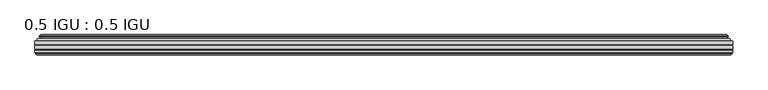
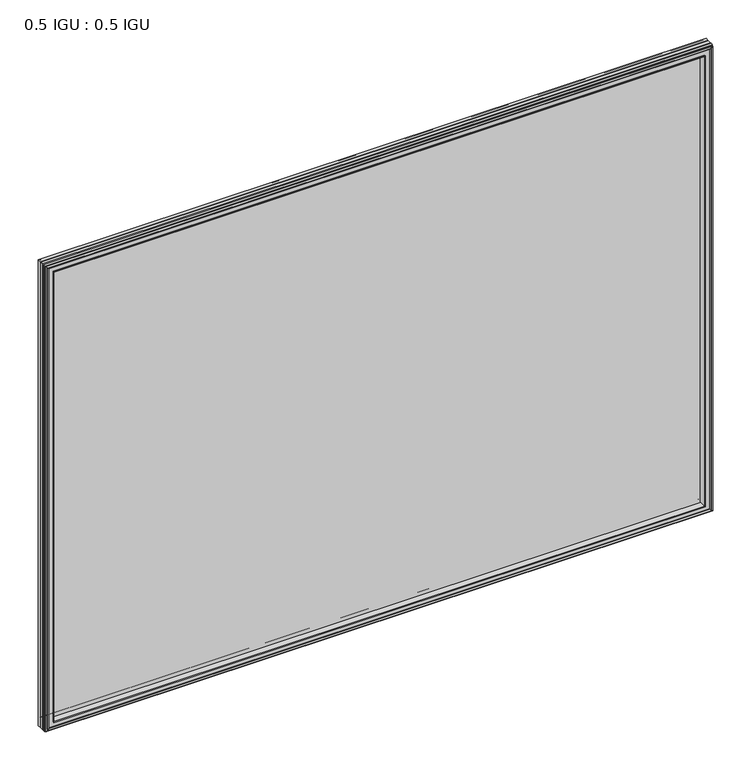
"""IFC4 building model written with IfcOpenShell, lengths in millimetres: plate geometry, 0.5 IGU : 0.5 IGU."""

from ifc_helpers import new_model, si_unit, frame, origin, place, context, project, spatial, polyline, ellipse_curve, outline, extrude, faceted_brep, source, transform, mapped, element, save
from ifc_brep_helpers import plane_surface, cylinder_surface, revolved_surface, advanced_brep


def plate_0_5_igu_0_5_igu_760dccee(model_context):
    return source(origin(), model_context, "Body", "SolidModel", [
        extrude(outline(polyline([(592.151675, -55.82285), (592.151675, -61.48705), (-592.1375, -61.48705), (-592.1375, -55.82285), (592.151675, -55.82285)])), frame((0.0, 0.0, -14.2875), z_axis=(0.0, 0.0, 1.0), x_axis=(1.0, 0.0, 0.0)), (0.0, 0.0, 1.0), 873.1287979),
        extrude(outline(polyline([(-592.1375, -69.05625), (-592.1375, -63.39205), (592.151675, -63.39205), (592.151675, -69.05625), (-592.1375, -69.05625)])), frame((0.0, 0.0, -14.2875), z_axis=(0.0, 0.0, 1.0), x_axis=(1.0, 0.0, 0.0)), (0.0, 0.0, 1.0), 873.1287979),
        advanced_brep(
        [(-588.0349626, -54.3724927, 854.7349626), (-586.9904378, -51.60645, 853.6904378), (-586.9904378, -51.60645, -9.1404378), (-588.0349626, -54.3724927, -10.1849626), (-586.398517, -55.82285, 853.098517), (-586.398517, -55.82285, -8.548517), (-577.85, -45.63745, 844.55), (-574.2672761, -55.82285, 840.9672761), (-574.2672761, -55.82285, 3.5827239), (-577.85, -45.63745, 0.0), (-583.0359109, -46.8185491, 849.7359109), (-583.0359109, -46.8185491, -5.1859109), (-582.2388893, -44.8183085, 848.9388893), (-582.2388893, -44.8183085, -4.3888893), (-584.5226111, -47.135817, 851.2226111), (-584.5226111, -47.135817, -6.6726111), (-584.5226111, -47.8489429, 851.2226111), (-584.5226111, -47.8489429, -6.6726111), (-582.2388893, -50.1664515, 848.9388893), (-582.2388893, -50.1664515, -4.3888893), (-583.0282501, -48.1854367, 849.7282501), (-583.0282501, -48.1854367, -5.1782501), (-580.5044379, -48.027045, 847.2044379), (-580.5044379, -48.027045, -2.6544379), (-579.4786217, -48.7147544, 846.1786217), (-579.4786217, -48.7147544, -1.6286217), (-579.5970288, -50.1092231, 846.2970288), (-579.5970288, -50.1092231, -1.7470288), (-580.1987748, -51.60645, 846.8987748), (-580.1987748, -51.60645, -2.3487748), (586.9904378, -51.60645, -9.1404378), (588.0349626, -54.3724927, -10.1849626), (586.398517, -55.82285, -8.548517), (574.2672761, -55.82285, 3.5827239), (577.85, -45.63745, 0.0), (583.0359109, -46.8185491, -5.1859109), (582.2388893, -44.8183085, -4.3888893), (584.5226111, -47.135817, -6.6726111), (584.5226111, -47.8489429, -6.6726111), (582.2388893, -50.1664515, -4.3888893), (583.0282501, -48.1854367, -5.1782501), (580.5044379, -48.027045, -2.6544379), (579.4786217, -48.7147544, -1.6286217), (579.5970288, -50.1092231, -1.7470288), (580.1987748, -51.60645, -2.3487748), (586.9904378, -51.60645, 853.6904378), (588.0349626, -54.3724927, 854.7349626), (586.398517, -55.82285, 853.098517), (574.2672761, -55.82285, 840.9672761), (577.85, -45.63745, 844.55), (583.0359109, -46.8185491, 849.7359109), (582.2388893, -44.8183085, 848.9388893), (584.5226111, -47.135817, 851.2226111), (584.5226111, -47.8489429, 851.2226111), (582.2388893, -50.1664515, 848.9388893), (583.0282501, -48.1854367, 849.7282501), (580.5044379, -48.027045, 847.2044379), (579.4786217, -48.7147544, 846.1786217), (579.5970288, -50.1092231, 846.2970288), (580.1987748, -51.60645, 846.8987748)],
        [
            (0, 1, ellipse_curve(frame((-586.9820703, -53.1898501, 853.6820703), z_axis=(-0.7071067811865475, 0.0, -0.7071067811865475), x_axis=(-0.7071067811865474, 0.0, 0.7071067811865476)), 2.2392971, 1.5834222)),
            (1, 2),
            (2, 3, ellipse_curve(frame((-586.9820703, -53.1898501, -9.1320703), z_axis=(-0.7071067811865475, 0.0, 0.7071067811865475), x_axis=(0.7071067811865474, 0.0, 0.7071067811865476)), 2.2392971, 1.5834222)),
            (3, 0),
            (4, 0),
            (3, 5),
            (5, 4),
            (6, 7, ellipse_curve(frame((-545.570246, -40.0058297, 812.270246), z_axis=(0.7071067811865475, 0.0, 0.7071067811865475), x_axis=(0.7071067811865474, 0.0, -0.7071067811865476)), 46.3399971, 32.7673262)),
            (7, 8),
            (8, 9, ellipse_curve(frame((-545.570246, -40.0058297, 32.279754), z_axis=(0.7071067811865475, 0.0, -0.7071067811865475), x_axis=(-0.7071067811865474, 0.0, -0.7071067811865476)), 46.3399971, 32.7673262)),
            (9, 6),
            (10, 6),
            (9, 11),
            (11, 10),
            (12, 10),
            (11, 13),
            (13, 12),
            (14, 12),
            (13, 15),
            (15, 14),
            (16, 14, ellipse_curve(frame((-584.1607729, -47.49238, 850.8607729), z_axis=(-0.7071067811865475, 0.0, -0.7071067811865475), x_axis=(-0.7071067811865474, 0.0, 0.7071067811865476)), 0.7184205, 0.508)),
            (15, 17, ellipse_curve(frame((-584.1607729, -47.49238, -6.3107729), z_axis=(-0.7071067811865475, 0.0, 0.7071067811865475), x_axis=(0.7071067811865474, 0.0, 0.7071067811865476)), 0.7184205, 0.508)),
            (17, 16),
            (18, 16),
            (17, 19),
            (19, 18),
            (20, 18),
            (19, 21),
            (21, 20),
            (22, 20),
            (21, 23),
            (23, 22),
            (24, 22, ellipse_curve(frame((-580.4408, -49.04105, 847.1408), z_axis=(0.7071067811865475, 0.0, 0.7071067811865475), x_axis=(0.7071067811865474, 0.0, -0.7071067811865476)), 1.436841, 1.016)),
            (23, 25, ellipse_curve(frame((-580.4408, -49.04105, -2.5908), z_axis=(0.7071067811865475, 0.0, -0.7071067811865475), x_axis=(-0.7071067811865474, 0.0, -0.7071067811865476)), 1.436841, 1.016)),
            (25, 24),
            (26, 24, ellipse_curve(frame((-581.8124, -49.21885, 848.5124), z_axis=(0.7071067811865475, 0.0, 0.7071067811865475), x_axis=(0.7071067811865474, 0.0, -0.7071067811865476)), 3.3765763, 2.3876)),
            (25, 27, ellipse_curve(frame((-581.8124, -49.21885, -3.9624), z_axis=(0.7071067811865475, 0.0, -0.7071067811865475), x_axis=(-0.7071067811865474, 0.0, -0.7071067811865476)), 3.3765763, 2.3876)),
            (27, 26),
            (28, 26),
            (27, 29),
            (29, 28),
            (2, 30),
            (30, 31, ellipse_curve(frame((586.9820703, -53.1898501, -9.1320703), z_axis=(-0.7071067811865475, 0.0, -0.7071067811865475), x_axis=(-0.7071067811865476, 0.0, 0.7071067811865474)), 2.2392971, 1.5834222)),
            (31, 3),
            (31, 32),
            (32, 5),
            (8, 33),
            (33, 34, ellipse_curve(frame((545.570246, -40.0058297, 32.279754), z_axis=(0.7071067811865475, 0.0, 0.7071067811865475), x_axis=(0.7071067811865476, 0.0, -0.7071067811865474)), 46.3399971, 32.7673262)),
            (34, 9),
            (34, 35),
            (35, 11),
            (35, 36),
            (36, 13),
            (36, 37),
            (37, 15),
            (37, 38, ellipse_curve(frame((584.1607729, -47.49238, -6.3107729), z_axis=(-0.7071067811865475, 0.0, -0.7071067811865475), x_axis=(-0.7071067811865476, 0.0, 0.7071067811865474)), 0.7184205, 0.508)),
            (38, 17),
            (38, 39),
            (39, 19),
            (39, 40),
            (40, 21),
            (40, 41),
            (41, 23),
            (41, 42, ellipse_curve(frame((580.4408, -49.04105, -2.5908), z_axis=(0.7071067811865475, 0.0, 0.7071067811865475), x_axis=(0.7071067811865476, 0.0, -0.7071067811865474)), 1.436841, 1.016)),
            (42, 25),
            (42, 43, ellipse_curve(frame((581.8124, -49.21885, -3.9624), z_axis=(0.7071067811865475, 0.0, 0.7071067811865475), x_axis=(0.7071067811865476, 0.0, -0.7071067811865474)), 3.3765763, 2.3876)),
            (43, 27),
            (43, 44),
            (44, 29),
            (30, 45),
            (45, 46, ellipse_curve(frame((586.9820703, -53.1898501, 853.6820703), z_axis=(0.7071067811865475, 0.0, -0.7071067811865475), x_axis=(-0.7071067811865474, 0.0, -0.7071067811865476)), 2.2392971, 1.5834222)),
            (46, 31),
            (46, 47),
            (47, 32),
            (33, 48),
            (48, 49, ellipse_curve(frame((545.570246, -40.0058297, 812.270246), z_axis=(-0.7071067811865475, 0.0, 0.7071067811865475), x_axis=(0.7071067811865474, 0.0, 0.7071067811865476)), 46.3399971, 32.7673262)),
            (49, 34),
            (49, 50),
            (50, 35),
            (50, 51),
            (51, 36),
            (51, 52),
            (52, 37),
            (52, 53, ellipse_curve(frame((584.1607729, -47.49238, 850.8607729), z_axis=(0.7071067811865475, 0.0, -0.7071067811865475), x_axis=(-0.7071067811865474, 0.0, -0.7071067811865476)), 0.7184205, 0.508)),
            (53, 38),
            (53, 54),
            (54, 39),
            (54, 55),
            (55, 40),
            (55, 56),
            (56, 41),
            (56, 57, ellipse_curve(frame((580.4408, -49.04105, 847.1408), z_axis=(-0.7071067811865475, 0.0, 0.7071067811865475), x_axis=(0.7071067811865474, 0.0, 0.7071067811865476)), 1.436841, 1.016)),
            (57, 42),
            (57, 58, ellipse_curve(frame((581.8124, -49.21885, 848.5124), z_axis=(-0.7071067811865475, 0.0, 0.7071067811865475), x_axis=(0.7071067811865474, 0.0, 0.7071067811865476)), 3.3765763, 2.3876)),
            (58, 43),
            (58, 59),
            (59, 44),
            (45, 1),
            (0, 46),
            (4, 47),
            (7, 48),
            (6, 49),
            (10, 50),
            (12, 51),
            (14, 52),
            (16, 53),
            (18, 54),
            (20, 55),
            (22, 56),
            (24, 57),
            (26, 58),
            (28, 59),
        ],
        [
            cylinder_surface(frame((-586.9820703, -53.1898501, 876.3), z_axis=(0.0, 0.0, 1.0), x_axis=(-1.0, 0.0, 0.0)), 1.5834222),
            plane_surface(frame((-588.0349626, -54.3724927, 854.7349626), z_axis=(-0.6632745773184306, -0.7483761320907135, 0.0), x_axis=(0.0, 0.0, -1.0))),
            revolved_surface(polyline([(-578.3375722, -40.0058297, -0.48757218957496207), (-578.3375722, -40.0058297, 845.037572189575)]), (-545.570246, -40.0058297, 876.3), (0.0, 0.0, -1.0)),
            plane_surface(frame((-577.85, -45.63745, 844.55), z_axis=(-0.22206498442787428, 0.975031867525902, 0.0), x_axis=(0.0, 0.0, -1.0))),
            plane_surface(frame((-583.0359109, -46.8185491, 849.7359109), z_axis=(0.928968268563027, -0.37015936568323066, 0.0), x_axis=(0.0, 0.0, -1.0))),
            plane_surface(frame((-582.2388893, -44.8183085, 848.9388893), z_axis=(-0.7122798501733482, 0.7018955869907096, 0.0), x_axis=(0.0, 0.0, -1.0))),
            cylinder_surface(frame((-584.1607729, -47.49238, 876.3), z_axis=(0.0, 0.0, 1.0), x_axis=(-1.0, 0.0, 0.0)), 0.508),
            plane_surface(frame((-584.5226111, -47.8489429, 851.2226111), z_axis=(-0.7122798501732925, -0.701895586990766, 0.0), x_axis=(0.0, 0.0, -1.0))),
            plane_surface(frame((-582.2388893, -50.1664515, 848.9388893), z_axis=(0.9289682685628707, 0.3701593656836228, 0.0), x_axis=(0.0, 0.0, -1.0))),
            plane_surface(frame((-583.0282501, -48.1854367, 849.7282501), z_axis=(0.06263570119284978, -0.9980364567169279, 0.0), x_axis=(0.0, 0.0, -1.0))),
            revolved_surface(polyline([(-581.4567999999999, -49.04105, -3.606800014586838), (-581.4567999999999, -49.04105, 848.1568000145869)]), (-580.4408, -49.04105, 876.3), (0.0, 0.0, -1.0)),
            revolved_surface(polyline([(-584.2, -49.21885, -6.3499999989237494), (-584.2, -49.21885, 850.8999999989237)]), (-581.8124, -49.21885, 876.3), (0.0, 0.0, -1.0)),
            plane_surface(frame((-579.5970288, -50.1092231, 846.2970288), z_axis=(-0.9278652925428184, 0.3729155385532094, 0.0), x_axis=(0.0, 0.0, -1.0))),
            cylinder_surface(frame((-609.6, -53.1898501, -9.1320703), z_axis=(-1.0, 0.0, 0.0), x_axis=(0.0, 0.0, -1.0)), 1.5834222),
            plane_surface(frame((-588.0349626, -54.3724927, -10.1849626), z_axis=(0.0, -0.7483761320907157, -0.6632745773184283), x_axis=(1.0, 0.0, 0.0))),
            revolved_surface(polyline([(578.3375721895751, -40.0058297, -0.48757220000000245), (-578.337572189575, -40.0058297, -0.48757220000000245)]), (-609.6, -40.0058297, 32.279754), (1.0, 0.0, 0.0)),
            plane_surface(frame((-577.85, -45.63745, 0.0), z_axis=(0.0, 0.9750318675259013, -0.22206498442787745), x_axis=(1.0, 0.0, 0.0))),
            plane_surface(frame((-583.0359109, -46.8185491, -5.1859109), z_axis=(0.0, -0.37015936568322766, 0.9289682685630283), x_axis=(1.0, 0.0, 0.0))),
            plane_surface(frame((-582.2388893, -44.8183085, -4.3888893), z_axis=(0.0, 0.7018955869907073, -0.7122798501733504), x_axis=(1.0, 0.0, 0.0))),
            cylinder_surface(frame((-609.6, -47.49238, -6.3107729), z_axis=(-1.0, 0.0, 0.0), x_axis=(0.0, 0.0, -1.0)), 0.508),
            plane_surface(frame((-584.5226111, -47.8489429, -6.6726111), z_axis=(0.0, -0.7018955869907684, -0.7122798501732903), x_axis=(1.0, 0.0, 0.0))),
            plane_surface(frame((-582.2388893, -50.1664515, -4.3888893), z_axis=(0.0, 0.37015936568362584, 0.9289682685628696), x_axis=(1.0, 0.0, 0.0))),
            plane_surface(frame((-583.0282501, -48.1854367, -5.1782501), z_axis=(0.0, -0.9980364567169276, 0.06263570119285301), x_axis=(1.0, 0.0, 0.0))),
            revolved_surface(polyline([(581.4568000145867, -49.04105, -3.6068000000000002), (-581.4568000145869, -49.04105, -3.6068000000000002)]), (-609.6, -49.04105, -2.5908), (1.0, 0.0, 0.0)),
            revolved_surface(polyline([(584.199999998924, -49.21885, -6.35), (-584.1999999989238, -49.21885, -6.35)]), (-609.6, -49.21885, -3.9624), (1.0, 0.0, 0.0)),
            plane_surface(frame((-579.5970288, -50.1092231, -1.7470288), z_axis=(0.0, 0.3729155385532064, -0.9278652925428196), x_axis=(1.0, 0.0, 0.0))),
            cylinder_surface(frame((586.9820703, -53.1898501, -31.75), z_axis=(0.0, 0.0, -1.0), x_axis=(1.0, 0.0, 0.0)), 1.5834222),
            plane_surface(frame((588.0349626, -54.3724927, -10.1849626), z_axis=(0.6632745773184259, -0.7483761320907178, 0.0), x_axis=(0.0, 0.0, 1.0))),
            revolved_surface(polyline([(578.3375722, -40.0058297, 845.037572189575), (578.3375722, -40.0058297, -0.48757218957494075)]), (545.570246, -40.0058297, -31.75), (0.0, 0.0, 1.0)),
            plane_surface(frame((577.85, -45.63745, 0.0), z_axis=(0.22206498442788059, 0.9750318675259005, 0.0), x_axis=(0.0, 0.0, 1.0))),
            plane_surface(frame((583.0359109, -46.8185491, -5.1859109), z_axis=(-0.9289682685630295, -0.37015936568322466, 0.0), x_axis=(0.0, 0.0, 1.0))),
            plane_surface(frame((582.2388893, -44.8183085, -4.3888893), z_axis=(0.7122798501733526, 0.701895586990705, 0.0), x_axis=(0.0, 0.0, 1.0))),
            cylinder_surface(frame((584.1607729, -47.49238, -31.75), z_axis=(0.0, 0.0, -1.0), x_axis=(1.0, 0.0, 0.0)), 0.508),
            plane_surface(frame((584.5226111, -47.8489429, -6.6726111), z_axis=(0.712279850173288, -0.7018955869907706, 0.0), x_axis=(0.0, 0.0, 1.0))),
            plane_surface(frame((582.2388893, -50.1664515, -4.3888893), z_axis=(-0.9289682685628684, 0.37015936568362884, 0.0), x_axis=(0.0, 0.0, 1.0))),
            plane_surface(frame((583.0282501, -48.1854367, -5.1782501), z_axis=(-0.06263570119285625, -0.9980364567169274, 0.0), x_axis=(0.0, 0.0, 1.0))),
            revolved_surface(polyline([(581.4567999999999, -49.04105, 848.1568000145869), (581.4567999999999, -49.04105, -3.606800014586863)]), (580.4408, -49.04105, -31.75), (0.0, 0.0, 1.0)),
            revolved_surface(polyline([(584.2, -49.21885, 850.8999999989237), (584.2, -49.21885, -6.349999998923781)]), (581.8124, -49.21885, -31.75), (0.0, 0.0, 1.0)),
            plane_surface(frame((579.5970288, -50.1092231, -1.7470288), z_axis=(0.9278652925428208, 0.3729155385532034, 0.0), x_axis=(0.0, 0.0, 1.0))),
            cylinder_surface(frame((609.6, -53.1898501, 853.6820703), z_axis=(1.0, 0.0, 0.0), x_axis=(0.0, 0.0, 1.0)), 1.5834222),
            plane_surface(frame((588.0349626, -54.3724927, 854.7349626), z_axis=(0.0, -0.7483761320907157, 0.6632745773184283), x_axis=(-1.0, 0.0, 0.0))),
            plane_surface(frame((586.398517, -55.82285, 853.098517), z_axis=(0.0, -1.0, 0.0), x_axis=(-1.0, 0.0, 0.0))),
            revolved_surface(polyline([(-578.3375721895751, -40.0058297, 845.0375722), (578.337572189575, -40.0058297, 845.0375722)]), (609.6, -40.0058297, 812.270246), (-1.0, 0.0, 0.0)),
            plane_surface(frame((577.85, -45.63745, 844.55), z_axis=(0.0, 0.9750318675259012, 0.22206498442787742), x_axis=(-1.0, 0.0, 0.0))),
            plane_surface(frame((583.0359109, -46.8185491, 849.7359109), z_axis=(0.0, -0.37015936568322766, -0.9289682685630283), x_axis=(-1.0, 0.0, 0.0))),
            plane_surface(frame((582.2388893, -44.8183085, 848.9388893), z_axis=(0.0, 0.7018955869907073, 0.7122798501733504), x_axis=(-1.0, 0.0, 0.0))),
            cylinder_surface(frame((609.6, -47.49238, 850.8607729), z_axis=(1.0, 0.0, 0.0), x_axis=(0.0, 0.0, 1.0)), 0.508),
            plane_surface(frame((584.5226111, -47.8489429, 851.2226111), z_axis=(0.0, -0.7018955869907684, 0.7122798501732903), x_axis=(-1.0, 0.0, 0.0))),
            plane_surface(frame((582.2388893, -50.1664515, 848.9388893), z_axis=(0.0, 0.37015936568362584, -0.9289682685628696), x_axis=(-1.0, 0.0, 0.0))),
            plane_surface(frame((583.0282501, -48.1854367, 849.7282501), z_axis=(0.0, -0.9980364567169276, -0.06263570119285301), x_axis=(-1.0, 0.0, 0.0))),
            revolved_surface(polyline([(-581.4568000145867, -49.04105, 848.1568), (581.4568000145869, -49.04105, 848.1568)]), (609.6, -49.04105, 847.1408), (-1.0, 0.0, 0.0)),
            revolved_surface(polyline([(-584.199999998924, -49.21885, 850.9), (584.1999999989238, -49.21885, 850.9)]), (609.6, -49.21885, 848.5124), (-1.0, 0.0, 0.0)),
            plane_surface(frame((579.5970288, -50.1092231, 846.2970288), z_axis=(0.0, 0.3729155385532064, 0.9278652925428196), x_axis=(-1.0, 0.0, 0.0))),
            plane_surface(frame((580.1987748, -51.60645, 846.8987748), z_axis=(0.0, 1.0, 0.0), x_axis=(-1.0, 0.0, 0.0))),
        ],
        [
            (0, [[1, 2, 3, 4]]),
            (1, [[5, -4, 6, 7]]),
            (2, [[8, 9, 10, 11]]),
            (3, [[12, -11, 13, 14]]),
            (4, [[15, -14, 16, 17]]),
            (5, [[18, -17, 19, 20]]),
            (6, [[21, -20, 22, 23]]),
            (7, [[24, -23, 25, 26]]),
            (8, [[27, -26, 28, 29]]),
            (9, [[30, -29, 31, 32]]),
            (10, [[33, -32, 34, 35]]),
            (11, [[36, -35, 37, 38]]),
            (12, [[39, -38, 40, 41]]),
            (13, [[-3, 42, 43, 44]]),
            (14, [[-6, -44, 45, 46]]),
            (15, [[-10, 47, 48, 49]]),
            (16, [[-13, -49, 50, 51]]),
            (17, [[-16, -51, 52, 53]]),
            (18, [[-19, -53, 54, 55]]),
            (19, [[-22, -55, 56, 57]]),
            (20, [[-25, -57, 58, 59]]),
            (21, [[-28, -59, 60, 61]]),
            (22, [[-31, -61, 62, 63]]),
            (23, [[-34, -63, 64, 65]]),
            (24, [[-37, -65, 66, 67]]),
            (25, [[-40, -67, 68, 69]]),
            (26, [[-43, 70, 71, 72]]),
            (27, [[-45, -72, 73, 74]]),
            (28, [[-48, 75, 76, 77]]),
            (29, [[-50, -77, 78, 79]]),
            (30, [[-52, -79, 80, 81]]),
            (31, [[-54, -81, 82, 83]]),
            (32, [[-56, -83, 84, 85]]),
            (33, [[-58, -85, 86, 87]]),
            (34, [[-60, -87, 88, 89]]),
            (35, [[-62, -89, 90, 91]]),
            (36, [[-64, -91, 92, 93]]),
            (37, [[-66, -93, 94, 95]]),
            (38, [[-68, -95, 96, 97]]),
            (39, [[-71, 98, -1, 99]]),
            (40, [[-73, -99, -5, 100]]),
            (41, [[-46, -74, -100, -7], [101, -75, -47, -9]]),
            (42, [[-76, -101, -8, 102]]),
            (43, [[-78, -102, -12, 103]]),
            (44, [[-80, -103, -15, 104]]),
            (45, [[-82, -104, -18, 105]]),
            (46, [[-84, -105, -21, 106]]),
            (47, [[-86, -106, -24, 107]]),
            (48, [[-88, -107, -27, 108]]),
            (49, [[-90, -108, -30, 109]]),
            (50, [[-92, -109, -33, 110]]),
            (51, [[-94, -110, -36, 111]]),
            (52, [[-96, -111, -39, 112]]),
            (53, [[-98, -70, -42, -2], [-69, -97, -112, -41]]),
        ],
    ),
        faceted_brep([(-573.9957827, -69.05625, 840.6957827), (-576.5620798, -77.94625, 843.2620798), (-576.5620798, -77.94625, 1.2879202), (-573.9957827, -69.05625, 3.8542173), (-592.1502, -71.2633102, 858.8502), (-589.9431398, -69.05625, 856.6431398), (-589.9431398, -69.05625, -12.0931398), (-592.1502, -71.2633102, -14.3002), (-592.1502, -75.40625, 858.8502), (-592.1502, -75.40625, -14.3002), (-589.7311775, -76.58989, 856.4311775), (-590.6008, -75.40625, 857.3008), (-590.6008, -75.40625, -12.7508), (-589.7311775, -76.58989, -11.8811775), (-589.534, -77.8875884, 856.234), (-589.534, -77.8875884, -11.684), (-590.50966, -77.3578917, 857.20966), (-590.50966, -77.3578917, -12.65966), (-588.9752, -79.1749663, 855.6752), (-591.3023305, -77.3578917, 858.0023305), (-591.3023305, -77.3578917, -13.4523305), (-588.9752, -79.1749663, -11.1252), (-586.6480695, -77.3578917, 853.3480695), (-586.6480695, -77.3578917, -8.7980695), (-588.4164, -77.8875884, 855.1164), (-587.44074, -77.3578917, 854.14074), (-587.44074, -77.3578917, -9.59074), (-588.4164, -77.8875884, -10.5664), (-588.2192225, -76.58989, 854.9192225), (-588.2192225, -76.58989, -10.3692225), (-587.3496, -75.40625, 854.0496), (-587.3496, -75.40625, -9.4996), (-578.2013667, -77.94625, 844.9013667), (-577.6722, -75.40625, 844.3722), (-577.6722, -75.40625, 0.1778), (-578.2013667, -77.94625, -0.3513667), (576.5620798, -77.94625, 1.2879202), (573.9957827, -69.05625, 3.8542173), (589.9431398, -69.05625, -12.0931398), (592.1502, -71.2633102, -14.3002), (592.1502, -75.40625, -14.3002), (590.6008, -75.40625, -12.7508), (589.7311775, -76.58989, -11.8811775), (589.534, -77.8875884, -11.684), (590.50966, -77.3578917, -12.65966), (591.3023305, -77.3578917, -13.4523305), (588.9752, -79.1749663, -11.1252), (586.6480695, -77.3578917, -8.7980695), (587.44074, -77.3578917, -9.59074), (588.4164, -77.8875884, -10.5664), (588.2192225, -76.58989, -10.3692225), (587.3496, -75.40625, -9.4996), (577.6722, -75.40625, 0.1778), (578.2013667, -77.94625, -0.3513667), (576.5620798, -77.94625, 843.2620798), (573.9957827, -69.05625, 840.6957827), (589.9431398, -69.05625, 856.6431398), (592.1502, -71.2633102, 858.8502), (592.1502, -75.40625, 858.8502), (590.6008, -75.40625, 857.3008), (589.7311775, -76.58989, 856.4311775), (589.534, -77.8875884, 856.234), (590.50966, -77.3578917, 857.20966), (591.3023305, -77.3578917, 858.0023305), (588.9752, -79.1749663, 855.6752), (586.6480695, -77.3578917, 853.3480695), (587.44074, -77.3578917, 854.14074), (588.4164, -77.8875884, 855.1164), (588.2192225, -76.58989, 854.9192225), (587.3496, -75.40625, 854.0496), (577.6722, -75.40625, 844.3722), (578.2013667, -77.94625, 844.9013667)], [[[0, 1, 2, 3]], [[4, 5, 6, 7]], [[8, 4, 7, 9]], [[10, 11, 12, 13]], [[14, 10, 13, 15]], [[16, 14, 15, 17]], [[18, 19, 20, 21]], [[22, 18, 21, 23]], [[24, 25, 26, 27]], [[28, 24, 27, 29]], [[30, 28, 29, 31]], [[32, 33, 34, 35]], [[3, 2, 36, 37]], [[7, 6, 38, 39]], [[9, 7, 39, 40]], [[13, 12, 41, 42]], [[15, 13, 42, 43]], [[17, 15, 43, 44]], [[21, 20, 45, 46]], [[23, 21, 46, 47]], [[27, 26, 48, 49]], [[29, 27, 49, 50]], [[31, 29, 50, 51]], [[35, 34, 52, 53]], [[37, 36, 54, 55]], [[39, 38, 56, 57]], [[40, 39, 57, 58]], [[42, 41, 59, 60]], [[43, 42, 60, 61]], [[44, 43, 61, 62]], [[46, 45, 63, 64]], [[47, 46, 64, 65]], [[49, 48, 66, 67]], [[50, 49, 67, 68]], [[51, 50, 68, 69]], [[53, 52, 70, 71]], [[55, 54, 1, 0]], [[5, 56, 38, 6], [3, 37, 55, 0]], [[57, 56, 5, 4]], [[58, 57, 4, 8]], [[9, 40, 58, 8], [11, 59, 41, 12]], [[60, 59, 11, 10]], [[61, 60, 10, 14]], [[62, 61, 14, 16]], [[19, 63, 45, 20], [17, 44, 62, 16]], [[64, 63, 19, 18]], [[65, 64, 18, 22]], [[25, 66, 48, 26], [23, 47, 65, 22]], [[67, 66, 25, 24]], [[68, 67, 24, 28]], [[69, 68, 28, 30]], [[31, 51, 69, 30], [33, 70, 52, 34]], [[71, 70, 33, 32]], [[35, 53, 71, 32], [1, 54, 36, 2]]]),
    ])


if __name__ == "__main__":
    model = new_model("IFC4")
    model_context = context("Model", 3, world=origin())
    ifc_project = project(units=[si_unit("LENGTHUNIT", "METRE", prefix="MILLI")], contexts=[model_context])
    site = spatial("IfcSite", under=ifc_project)
    building = spatial("IfcBuilding", under=site)
    placement = place(None, origin())
    plate_0_5_igu_0_5_igu_shape = plate_0_5_igu_0_5_igu_760dccee(model_context)
    element("IfcPlate", 1, ObjectType="0.5 IGU : 0.5 IGU", at=placement, inside=building, context=model_context, shape_type="MappedRepresentation", body=[
        mapped(plate_0_5_igu_0_5_igu_shape, transform((0.0, 0.0, 0.0), x_axis=(1.0, 0.0, 0.0), y_axis=(0.0, 1.0, 0.0), z_axis=(0.0, 0.0, 1.0))),
    ])
    save(model, "model.ifc")
